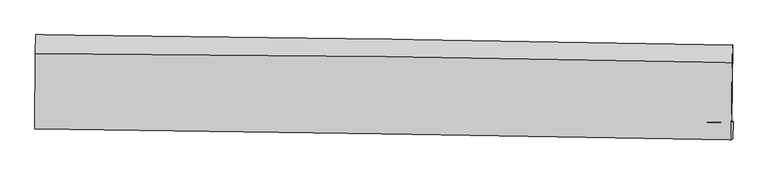
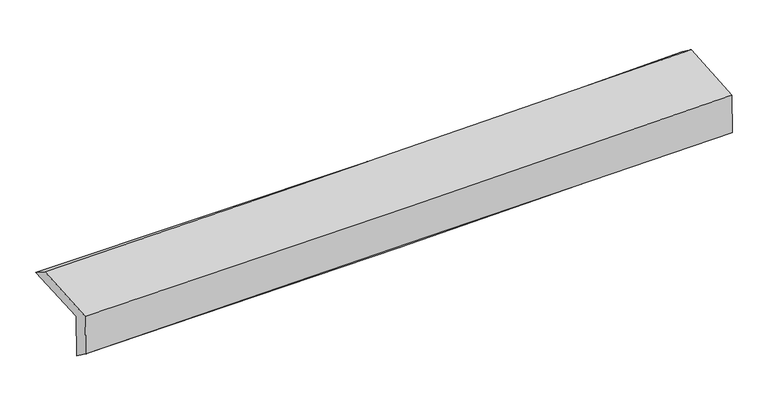
"""IFC4 building model written with IfcOpenShell, lengths in millimetres: proxy geometry."""

from ifc_helpers import new_model, si_unit, frame, origin, place, context, project, spatial, source, transform, mapped, element, save
from ifc_brep_helpers import plane_surface, spline_curve, spline_surface, advanced_brep


def generic_models_28307bdf(model_context):
    return source(origin(), model_context, "Body", "AdvancedBrep", [
        advanced_brep(
        [(-2998.0305564, -1754.6823619, 1970.3756948), (-2994.4169658, -1094.3565528, 2002.8949313), (2984.3169659, -1180.9163052, 2137.9188415), (2976.7869205, -1846.733648, 2111.8658567), (-2988.1399812, -1745.3641637, 1569.2267211), (2986.3691073, -1838.5462885, 1720.4833596), (-2992.0353742, -1897.1918178, 1686.8299114), (2981.8111347, -1989.8194285, 1832.0863562), (-3001.2622256, -1904.3314554, 2061.4825278), (2972.5994851, -1996.3775319, 2208.9984733), (-2997.9459474, -1254.5837779, 2103.2530521), (2979.711012, -1331.53778, 2251.832074)],
        [
            (0, 1),
            (1, 2, spline_curve(3, [(-2994.4169658, -1094.3565528, 2002.8949313), (-1997.169441676, -1104.154980014, 1991.080052109), (-1000.320341132, -1116.267458739, 1996.424463046), (992.590977108, -1145.120663336, 2041.432090206), (1988.653187272, -1161.861435431, 2081.095649279), (2984.3169659, -1180.9163052, 2137.9188415)], [4, 2, 4], [0.0, 9.808924397573506, 19.617946890979514])),
            (2, 3),
            (3, 0, spline_curve(3, [(2976.7869205, -1846.733648, 2111.8658567), (1981.358213461, -1829.381839353, 2074.966033601), (985.739913194, -1813.034961185, 2044.725249394), (-1005.865916346, -1782.351219043, 1997.561995037), (-2001.853441287, -1768.01433544, 1980.639391994), (-2998.0305564, -1754.6823619, 1970.3756948)], [4, 2, 4], [0.0, 9.809022493406008, 19.617946890979514])),
            (4, 0),
            (3, 5),
            (5, 4, spline_curve(3, [(2986.3691073, -1838.5462885, 1720.4833596), (1991.08377188, -1820.622593765, 1678.427500766), (995.562855943, -1803.89553615, 1644.794830422), (-995.940178209, -1772.834851963, 1594.376119487), (-1991.922292084, -1758.501200946, 1577.589910326), (-2988.1399812, -1745.3641637, 1569.2267211)], [4, 2, 4], [0.0, 9.80540970588798, 19.610721352073398])),
            (6, 4),
            (5, 7),
            (7, 6, spline_curve(3, [(2981.8111347, -1989.8194285, 1832.0863562), (1986.207911935, -1972.879111887, 1809.278164491), (990.583268581, -1956.68995128, 1785.769300804), (-1000.698901352, -1925.814096109, 1737.350471705), (-1996.356427787, -1911.127386415, 1712.440520396), (-2992.0353742, -1897.1918178, 1686.8299114)], [4, 2, 4], [0.0, 9.804489334346894, 19.608880618195467])),
            (8, 6),
            (7, 9),
            (9, 8, spline_curve(3, [(2972.5994851, -1996.3775319, 2208.9984733), (1977.221150455, -1979.165164475, 2176.515641503), (981.707683834, -1962.888441034, 2147.981188421), (-1009.579555579, -1932.206433985, 2098.809285654), (-2005.353326149, -1917.801132365, 2078.171756825), (-3001.2622256, -1904.3314554, 2061.4825278)], [4, 2, 4], [0.0, 9.803809946142476, 19.6075218485809])),
            (10, 8),
            (9, 11),
            (11, 10, spline_curve(3, [(2979.711012, -1331.53778, 2251.832074), (1983.611651926, -1311.842560672, 2219.490511268), (987.421400529, -1295.582102288, 2190.938101679), (-1005.130921149, -1269.930837176, 2141.411836568), (-2001.492989576, -1260.539961357, 2120.437905778), (-2997.9459474, -1254.5837779, 2103.2530521)], [4, 2, 4], [0.0, 9.806906588725193, 19.61371510277814])),
            (1, 10),
            (11, 2),
        ],
        [
            spline_surface(3, 3, [[(-2998.0305564, -1754.6823619, 1970.3756948), (-2001.853441432, -1768.014335343, 1980.639392032), (-1005.865916293, -1782.351219144, 1997.561995159), (985.739913142, -1813.034961085, 2044.725249272), (1981.358213617, -1829.381839303, 2074.966033443), (2976.7869205, -1846.733648, 2111.8658567)], [(-2996.826026187, -1534.573758859, 1981.215440311), (-2000.292108171, -1546.727883592, 1984.119612113), (-1004.017391295, -1560.323299018, 1997.182817819), (988.023601169, -1590.396861826, 2043.627529513), (1983.789871544, -1606.875038015, 2077.009238694), (2979.296935623, -1624.794533746, 2120.550184976)], [(-2995.621496013, -1314.465155841, 1992.055185789), (-1998.730774948, -1325.441431865, 1987.599832161), (-1002.168866272, -1338.295378892, 1996.803640539), (990.307289221, -1367.758762568, 2042.529809813), (1986.221529502, -1384.368236689, 2079.052443917), (2981.806950777, -1402.855419454, 2129.234513224)], [(-2994.4169658, -1094.3565528, 2002.8949313), (-1997.169441687, -1104.154980114, 1991.080052243), (-1000.320341273, -1116.267458766, 1996.424463199), (992.590977249, -1145.120663309, 2041.432090053), (1988.653187429, -1161.861435402, 2081.095649167), (2984.3169659, -1180.9163052, 2137.9188415)]], [4, 4], [4, 2, 4], [0.0, 2.1884236106782176], [0.0, 9.808924397573506, 19.617946890979514]),
            spline_surface(3, 3, [[(-2988.1399812, -1745.3641637, 1569.2267211), (-1991.922291936, -1758.501200981, 1577.589910179), (-995.940178244, -1772.834851901, 1594.376119439), (995.562855978, -1803.895536212, 1644.79483047), (1991.083771766, -1820.622593603, 1678.427500703), (2986.3691073, -1838.5462885, 1720.4833596)], [(-2991.436839614, -1748.470229749, 1702.943045667), (-1995.232675115, -1761.672245751, 1711.939737464), (-999.248757581, -1776.006974324, 1728.771411363), (992.288541712, -1806.942011178, 1778.104970088), (1987.841919036, -1823.542342182, 1810.607011614), (2983.175045019, -1841.275408345, 1850.944191964)], [(-2994.733697986, -1751.576295851, 1836.659370233), (-1998.543058253, -1764.843290574, 1846.289564747), (-1002.557336956, -1779.179096721, 1863.166703235), (989.014227407, -1809.988486118, 1911.415109654), (1984.600066347, -1826.462090725, 1942.786522532), (2979.980982781, -1844.004528155, 1981.405024336)], [(-2998.0305564, -1754.6823619, 1970.3756948), (-2001.853441432, -1768.014335343, 1980.639392032), (-1005.865916293, -1782.351219144, 1997.561995159), (985.739913142, -1813.034961085, 2044.725249272), (1981.358213617, -1829.381839303, 2074.966033443), (2976.7869205, -1846.733648, 2111.8658567)]], [4, 4], [4, 2, 4], [0.0, 1.318201478553389], [0.0, 9.805311646185418, 19.610721352073398]),
            spline_surface(3, 3, [[(-2992.0353742, -1897.1918178, 1686.8299114), (-1996.356427833, -1911.12738656, 1712.440520502), (-1000.698901416, -1925.81409609, 1737.350471783), (990.583268646, -1956.689951299, 1785.769300726), (1986.207911862, -1972.879112003, 1809.278164387), (2981.8111347, -1989.8194285, 1832.0863562)], [(-2990.736909855, -1846.582599796, 1647.628847959), (-1994.878382522, -1860.251991396, 1667.490317053), (-999.112660367, -1874.821014695, 1689.692354338), (992.243131081, -1905.758479604, 1738.777810644), (1987.833198519, -1922.126939211, 1765.661276493), (2983.330458922, -1939.395048508, 1794.885357334)], [(-2989.438445545, -1795.973381704, 1608.427784541), (-1993.400337247, -1809.376596145, 1622.540113628), (-997.526419292, -1823.827933297, 1642.034236884), (993.902993543, -1854.827007906, 1691.786320553), (1989.45848511, -1871.374766396, 1722.044388597), (2984.849783078, -1888.970668492, 1757.684358466)], [(-2988.1399812, -1745.3641637, 1569.2267211), (-1991.922291936, -1758.501200981, 1577.589910179), (-995.940178244, -1772.834851901, 1594.376119439), (995.562855978, -1803.895536212, 1644.79483047), (1991.083771766, -1820.622593603, 1678.427500703), (2986.3691073, -1838.5462885, 1720.4833596)]], [4, 4], [4, 2, 4], [0.0, 0.6847044610456248], [0.0, 9.804391283848574, 19.608880618195467]),
            spline_surface(3, 3, [[(-3001.2622256, -1904.3314554, 2061.4825278), (-2005.353326106, -1917.801132339, 2078.171756836), (-1009.579555672, -1932.206434103, 2098.809285594), (981.707683927, -1962.888440916, 2147.981188481), (1977.2211504, -1979.165164598, 2176.515641505), (2972.5994851, -1996.3775319, 2208.9984733)], [(-2998.18660848, -1901.951576197, 1936.598322342), (-2002.354360028, -1915.576550409, 1956.261344733), (-1006.619337575, -1930.075654763, 1978.32301432), (984.666212179, -1960.822277708, 2027.24389256), (1980.216737544, -1977.069813703, 2054.10314911), (2975.670034957, -1994.191497403, 2083.361100911)], [(-2995.11099132, -1899.571697003, 1811.714116858), (-1999.355393911, -1913.351968489, 1834.350932605), (-1003.659119514, -1927.944875431, 1857.836743057), (987.624740394, -1958.756114507, 1906.506596648), (1983.212324718, -1974.974462899, 1931.690656782), (2978.740584843, -1992.005462997, 1957.723728589)], [(-2992.0353742, -1897.1918178, 1686.8299114), (-1996.356427833, -1911.12738656, 1712.440520502), (-1000.698901416, -1925.81409609, 1737.350471783), (990.583268646, -1956.689951299, 1785.769300726), (1986.207911862, -1972.879112003, 1809.278164387), (2981.8111347, -1989.8194285, 1832.0863562)]], [4, 4], [4, 2, 4], [0.0, 1.1876607658505345], [0.0, 9.803711902438426, 19.6075218485809]),
            spline_surface(3, 3, [[(-2997.9459474, -1254.5837779, 2103.2530521), (-2001.492989619, -1260.539961201, 2120.437905638), (-1005.130921116, -1269.930837055, 2141.411836709), (987.421400497, -1295.58210241, 2190.938101538), (1983.611651804, -1311.842560548, 2219.490511135), (2979.711012, -1331.53778, 2251.832074)], [(-2999.051373469, -1471.166337063, 2089.329543972), (-2002.77976845, -1479.627018243, 2106.349189343), (-1006.613799302, -1490.689369396, 2127.210986316), (985.516828306, -1518.01754857, 2176.619130498), (1981.481484669, -1534.283428567, 2205.165554607), (2977.340503033, -1553.151030636, 2237.554207116)], [(-3000.156799531, -1687.748896237, 2075.406035928), (-2004.066547275, -1698.714075296, 2092.260473131), (-1008.096677486, -1711.447901762, 2113.010135986), (983.612256118, -1740.452994756, 2162.300159521), (1979.351317535, -1756.724296579, 2190.840598032), (2974.969994067, -1774.764281264, 2223.276340184)], [(-3001.2622256, -1904.3314554, 2061.4825278), (-2005.353326106, -1917.801132339, 2078.171756836), (-1009.579555672, -1932.206434103, 2098.809285594), (981.707683927, -1962.888440916, 2147.981188481), (1977.2211504, -1979.165164598, 2176.515641505), (2972.5994851, -1996.3775319, 2208.9984733)]], [4, 4], [4, 2, 4], [0.0, 2.1856476405540533], [0.0, 9.806808514052948, 19.61371510277814]),
            spline_surface(3, 3, [[(-2994.4169658, -1094.3565528, 2002.8949313), (-1997.169441687, -1104.154980114, 1991.080052243), (-1000.320341273, -1116.267458766, 1996.424463199), (992.590977249, -1145.120663309, 2041.432090053), (1988.653187429, -1161.861435402, 2081.095649167), (2984.3169659, -1180.9163052, 2137.9188415)], [(-2995.593292996, -1147.765627836, 2036.347638248), (-1998.610624327, -1156.283307146, 2034.199336722), (-1001.923867895, -1167.488584864, 2044.753587726), (990.867784991, -1195.274476345, 2091.267427239), (1986.972675566, -1211.85514378, 2127.227269822), (2982.781647946, -1231.123463463, 2175.889918999)], [(-2996.769620204, -1201.174702864, 2069.800345152), (-2000.051806979, -1208.411634169, 2077.318621158), (-1003.527394494, -1218.709710956, 2093.082712182), (989.144592755, -1245.428289374, 2141.102764352), (1985.292163666, -1261.84885217, 2173.35889048), (2981.246329954, -1281.330621737, 2213.860996501)], [(-2997.9459474, -1254.5837779, 2103.2530521), (-2001.492989619, -1260.539961201, 2120.437905638), (-1005.130921116, -1269.930837055, 2141.411836709), (987.421400497, -1295.58210241, 2190.938101538), (1983.611651804, -1311.842560548, 2219.490511135), (2979.711012, -1331.53778, 2251.832074)]], [4, 4], [4, 2, 4], [0.0, 0.6946512578308025], [0.0, 9.811057729944686, 19.62221357705663]),
            plane_surface(frame((2980.2657709, -1697.3218304, 2043.8641602), z_axis=(0.999631619383752, -0.012252927682953222, 0.024217582278463882), x_axis=(0.02442878985913811, 0.017391731074214548, -0.9995502798340163))),
            plane_surface(frame((-2995.3051751, -1608.4183549, 1899.0104731), z_axis=(-0.9996777146930715, 0.006676864371930137, -0.024492574960519476), x_axis=(-0.005465730134097141, -0.9987746358956936, -0.049186913762970665))),
        ],
        [
            (0, [[1, 2, 3, 4]]),
            (1, [[5, -4, 6, 7]]),
            (2, [[8, -7, 9, 10]]),
            (3, [[11, -10, 12, 13]]),
            (4, [[14, -13, 15, 16]]),
            (5, [[17, -16, 18, -2]]),
            (6, [[-12, -9, -6, -3, -18, -15]]),
            (7, [[-1, -5, -8, -11, -14, -17]]),
        ],
    ),
    ])


if __name__ == "__main__":
    model = new_model("IFC4")
    model_context = context("Model", 3, world=origin())
    ifc_project = project(units=[si_unit("LENGTHUNIT", "METRE", prefix="MILLI")], contexts=[model_context])
    site = spatial("IfcSite", under=ifc_project)
    building = spatial("IfcBuilding", under=site)
    placement = place(None, origin())
    generic_models_shape = generic_models_28307bdf(model_context)
    element("IfcBuildingElementProxy", 1, Name="Generic Models", at=placement, inside=building, context=model_context, shape_type="MappedRepresentation", body=[
        mapped(generic_models_shape, transform((0.0, 0.0, 0.0), x_axis=(1.0, 0.0, 0.0), y_axis=(0.0, 1.0, 0.0), z_axis=(0.0, 0.0, 1.0))),
    ])
    save(model, "model.ifc")
